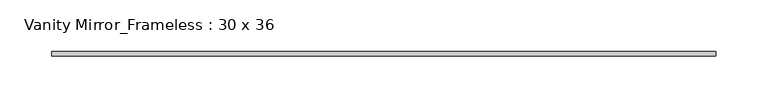
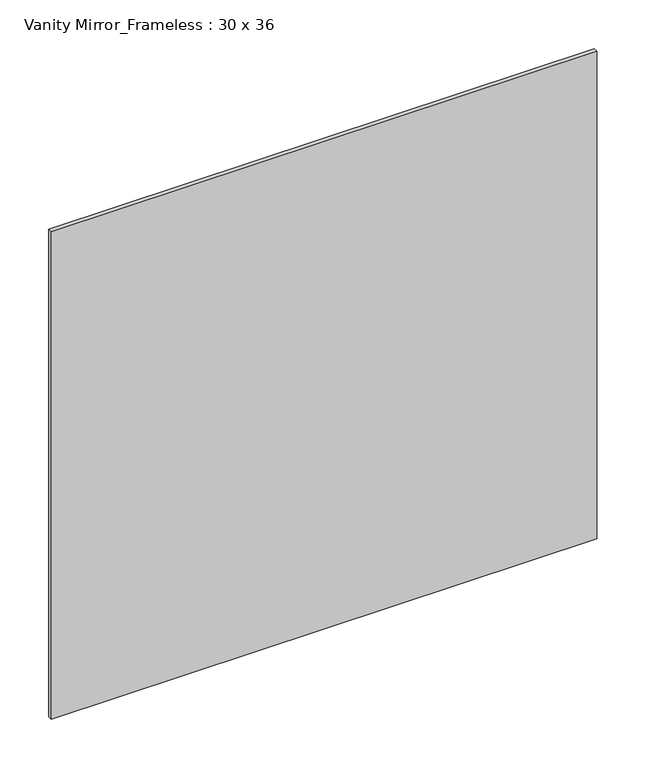
"""IFC4 building model written with IfcOpenShell, lengths in millimetres: furniture geometry, Vanity Mirror_Frameless : 30 x 36."""

from ifc_helpers import new_model, si_unit, frame, origin, place, context, project, spatial, polyline, outline, extrude, source, transform, mapped, element, save


def vanity_mirror_frameless_30_x_36_5933d57d(model_context):
    return source(origin(), model_context, "Body", "SweptSolid", [
        extrude(outline(polyline([(-322.7113598, 106.3625), (322.7113598, 106.3625), (322.7113598, 101.6), (-322.7113598, 101.6), (-322.7113598, 106.3625)])), frame((0.0, 0.0, 914.4), z_axis=(0.0, 0.0, 1.0), x_axis=(1.0, 0.0, 0.0)), (0.0, 0.0, 1.0), 609.6),
    ])


if __name__ == "__main__":
    model = new_model("IFC4")
    model_context = context("Model", 3, world=origin())
    ifc_project = project(units=[si_unit("LENGTHUNIT", "METRE", prefix="MILLI")], contexts=[model_context])
    site = spatial("IfcSite", under=ifc_project)
    building = spatial("IfcBuilding", under=site)
    placement = place(None, origin())
    vanity_mirror_frameless_30_x_36_shape = vanity_mirror_frameless_30_x_36_5933d57d(model_context)
    element("IfcFurniture", 1, ObjectType="Vanity Mirror_Frameless : 30 x 36", at=placement, inside=building, context=model_context, shape_type="MappedRepresentation", body=[
        mapped(vanity_mirror_frameless_30_x_36_shape, transform((0.0, 0.0, 0.0), x_axis=(1.0, 0.0, 0.0), y_axis=(0.0, 1.0, 0.0), z_axis=(0.0, 0.0, 1.0))),
    ])
    save(model, "model.ifc")
